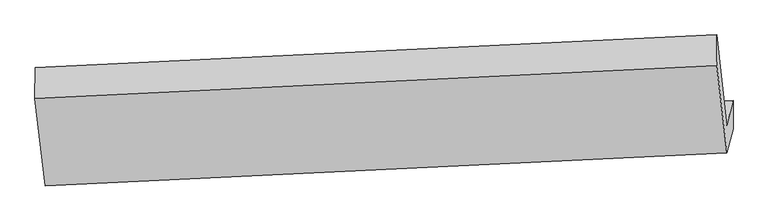
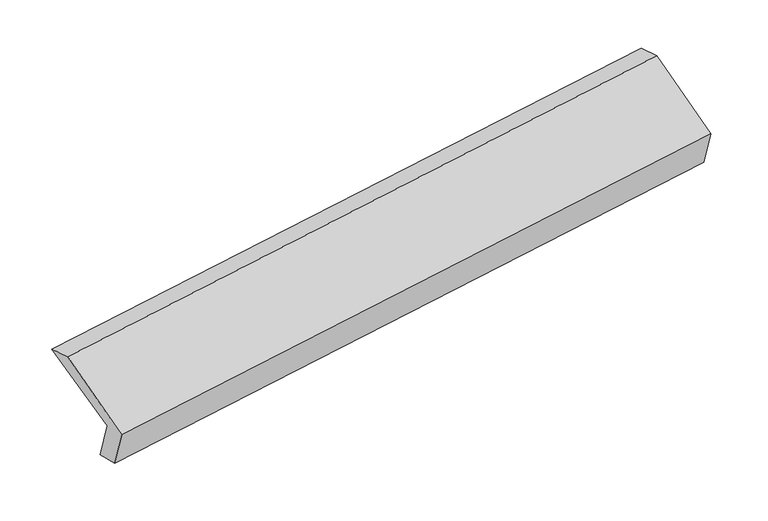
"""IFC4 building model written with IfcOpenShell, lengths in millimetres: proxy geometry."""

import ifcopenshell
import ifcopenshell.guid

model = None  # the IFC model being written
_history = None  # IfcOwnerHistory: only IFC2X3 demands one
_inside = {}  # id of a spatial element -> (the spatial element, [elements in it])
_under = {}  # id of a project, library or spatial element -> (it, [spatial elements below it])
_declared = {}  # id of a project -> (the project, [libraries it declares])
_typed = {}  # id of a type object -> (the type object, [elements of that type])
_made_of = {}  # id of a material, layer set ... -> (it, [elements and type objects made of it])


def new_model(schema):
    """Start an empty IFC model of exactly this schema.

    Asked for "IFC4X3", IfcOpenShell would pick the latest addendum, in which some entities
    have other attributes; the version numbers below select the first issue.
    IFC2X3 requires an IfcOwnerHistory on every rooted entity: one is made here for all.
    """
    global model, _history
    if schema == "IFC4X3":
        model = ifcopenshell.file(schema_version=(4, 3, 0, 0))
    else:
        model = ifcopenshell.file(schema=schema)
    _inside.clear()
    _under.clear()
    _declared.clear()
    _typed.clear()
    _made_of.clear()
    _history = None
    if model.schema == "IFC2X3":
        org = make("IfcOrganization", Name="unknown")
        user = make(
            "IfcPersonAndOrganization",
            ThePerson=make("IfcPerson", FamilyName="unknown"),
            TheOrganization=org,
        )
        app = make(
            "IfcApplication",
            ApplicationDeveloper=org,
            Version="unknown",
            ApplicationFullName="unknown",
            ApplicationIdentifier="unknown",
        )
        _history = make(
            "IfcOwnerHistory",
            OwningUser=user,
            OwningApplication=app,
            ChangeAction="ADDED",
            CreationDate=0,
        )
    return model


def make(cls, **values):
    """One entity of the class cls with the attributes given. An attribute that is None is left unset."""
    return model.create_entity(
        cls, **{name: value for name, value in values.items() if value is not None}
    )


def rooted(cls, **values):
    """An entity with a GlobalId (a new one), such as an element, a storey or a relation."""
    return make(cls, GlobalId=ifcopenshell.guid.new(), OwnerHistory=_history, **values)


def si_unit(unit_type, name, prefix=None):
    """IfcSIUnit, for example si_unit("LENGTHUNIT", "METRE", prefix="MILLI")."""
    return make("IfcSIUnit", UnitType=unit_type, Prefix=prefix, Name=name)


def assignment(units):
    """IfcUnitAssignment: the units of a project."""
    return None if units is None else make("IfcUnitAssignment", Units=units)


def point(xyz):
    """IfcCartesianPoint."""
    return None if xyz is None else make("IfcCartesianPoint", Coordinates=xyz)


def direction(xyz):
    """IfcDirection."""
    return None if xyz is None else make("IfcDirection", DirectionRatios=xyz)


def frame(location, z_axis=None, x_axis=None):
    """IfcAxis2Placement3D, a coordinate frame: its origin and axes. An axis left out is left unset."""
    return make(
        "IfcAxis2Placement3D",
        Location=point(location),
        Axis=direction(z_axis),
        RefDirection=direction(x_axis),
    )


def origin():
    """The frame at (0, 0, 0) with its axes left unset."""
    return frame((0.0, 0.0, 0.0))


def place(relative_to, where):
    """IfcLocalPlacement: puts the frame where relative to a parent placement (None: the world)."""
    return make(
        "IfcLocalPlacement", PlacementRelTo=relative_to, RelativePlacement=where
    )


def context(
    kind, dimensions, precision=None, world=None, true_north=None, identifier=None
):
    """IfcGeometricRepresentationContext, for example the 3D "Model" context."""
    return make(
        "IfcGeometricRepresentationContext",
        ContextIdentifier=identifier,
        ContextType=kind,
        CoordinateSpaceDimension=dimensions,
        Precision=precision,
        WorldCoordinateSystem=world,
        TrueNorth=true_north,
    )


def project(units=None, contexts=None):
    """IfcProject with its units and contexts."""
    return rooted(
        "IfcProject",
        Name="project",
        RepresentationContexts=contexts,
        UnitsInContext=assignment(units),
    )


def spatial(cls, under=None, at=None, **own):
    """A site, building, storey or space (cls), placed at a placement, below another one or the project."""
    s = rooted(cls, ObjectPlacement=at, **own)
    if under is not None:
        _under.setdefault(under.id(), (under, []))[1].append(s)
    return s


def shape(context_of_items, identifier, shape_type, items):
    """IfcShapeRepresentation: the items that make up one representation, for example the "Body"."""
    return make(
        "IfcShapeRepresentation",
        ContextOfItems=context_of_items,
        RepresentationIdentifier=identifier,
        RepresentationType=shape_type,
        Items=items,
    )


def source(mapping_origin, context_of_items, identifier, shape_type, items):
    """IfcRepresentationMap: a shape defined once, which mapped items show again and again."""
    return make(
        "IfcRepresentationMap",
        MappingOrigin=mapping_origin,
        MappedRepresentation=shape(context_of_items, identifier, shape_type, items),
    )


def transform(
    local_origin,
    x_axis=None,
    y_axis=None,
    z_axis=None,
    scale=None,
    scale2=None,
    scale3=None,
    uniform=True,
):
    """IfcCartesianTransformationOperator3D, or its non-uniform kind. x_axis, y_axis, z_axis: its Axis1, 2, 3."""
    if uniform:
        return make(
            "IfcCartesianTransformationOperator3D",
            Axis1=direction(x_axis),
            Axis2=direction(y_axis),
            LocalOrigin=point(local_origin),
            Scale=scale,
            Axis3=direction(z_axis),
        )
    return make(
        "IfcCartesianTransformationOperator3DnonUniform",
        Axis1=direction(x_axis),
        Axis2=direction(y_axis),
        LocalOrigin=point(local_origin),
        Scale=scale,
        Axis3=direction(z_axis),
        Scale2=scale2,
        Scale3=scale3,
    )


def mapped(mapping_source, mapping_target):
    """IfcMappedItem: shows the shape of a source again, moved by a transform."""
    return make(
        "IfcMappedItem", MappingSource=mapping_source, MappingTarget=mapping_target
    )


def made_of(thing, what):
    """Note that an element or type object is made of a material, layer set ...; save() writes the relation."""
    if what is not None:
        _made_of.setdefault(what.id(), (what, []))[1].append(thing)
    return thing


def element(
    cls,
    number,
    at=None,
    inside=None,
    cuts=None,
    type_object=None,
    material=None,
    context=None,
    identifier="Body",
    shape_type=None,
    held_by="IfcProductDefinitionShape",
    body=None,
    shapes=None,
    **own,
):
    """One element of the class cls, such as IfcWall. Its Tag is "e" and its number.

    at: its placement. inside: the storey or other place that contains it. cuts: it is an
    opening in that element (IfcRelVoidsElement). A single representation is given by context,
    identifier, shape_type and body (its items); several are given by shapes. held_by: the class
    of the entity that holds the representations. save() writes the other relations.
    """
    e = rooted(cls, Tag="e%d" % number, ObjectPlacement=at, **own)
    if body is not None:
        shapes = [shape(context, identifier, shape_type, body)]
    if shapes is not None:
        e.Representation = make(held_by, Representations=shapes)
    if inside is not None:
        _inside.setdefault(inside.id(), (inside, []))[1].append(e)
    if cuts is not None:
        rooted(
            "IfcRelVoidsElement", RelatingBuildingElement=cuts, RelatedOpeningElement=e
        )
    if type_object is not None:
        _typed.setdefault(type_object.id(), (type_object, []))[1].append(e)
    return made_of(e, material)


def aggregate(whole, parts):
    """IfcRelAggregates: a whole, such as a stair, and the parts it consists of."""
    return rooted("IfcRelAggregates", RelatingObject=whole, RelatedObjects=parts)


def save(model, path):
    """Write the relations noted so far, then the file.

    IfcRelAggregates (storeys below a building ...), IfcRelContainedInSpatialStructure (elements
    in a storey), IfcRelDefinesByType, IfcRelAssociatesMaterial and IfcRelDeclares: one each for
    every whole, place, type object, material and project.
    """
    for whole, parts in _under.values():
        aggregate(whole, parts)
    for where, things in _inside.values():
        rooted(
            "IfcRelContainedInSpatialStructure",
            RelatedElements=things,
            RelatingStructure=where,
        )
    for kind, things in _typed.values():
        rooted("IfcRelDefinesByType", RelatedObjects=things, RelatingType=kind)
    for what, things in _made_of.values():
        rooted("IfcRelAssociatesMaterial", RelatedObjects=things, RelatingMaterial=what)
    for by, libraries in _declared.values():
        rooted("IfcRelDeclares", RelatingContext=by, RelatedDefinitions=libraries)
    model.write(path)


def plane_surface(at):
    """IfcPlane: the flat surface through the origin of the frame at, square to its z axis."""
    return make("IfcPlane", Position=at)


def spline_surface(u_degree, v_degree, points, u_multiplicities, v_multiplicities, u_knots, v_knots, weights=None):
    """IfcBSplineSurfaceWithKnots; with weights, IfcRationalBSplineSurfaceWithKnots. points: one row for each step in u."""
    own = dict(
        UDegree=u_degree,
        VDegree=v_degree,
        ControlPointsList=[[point(p) for p in row] for row in points],
        SurfaceForm="UNSPECIFIED",
        UClosed=False,
        VClosed=False,
        SelfIntersect=False,
        UMultiplicities=u_multiplicities,
        VMultiplicities=v_multiplicities,
        UKnots=u_knots,
        VKnots=v_knots,
        KnotSpec="UNSPECIFIED",
    )
    if weights is None:
        return make("IfcBSplineSurfaceWithKnots", **own)
    return make("IfcRationalBSplineSurfaceWithKnots", WeightsData=weights, **own)


def advanced_brep(points, edges, surfaces, faces):
    """IfcAdvancedBrep: a solid bounded by faces that lie on surfaces and meet in shared edges.

    An edge is (start, end): straight between two places in points (the first is 0);
    or (start, end, curve); or (start, end, curve, False) where it runs against its curve.
    A face is (place in surfaces, loops), or (place, loops, False) where it looks against
    its surface's normal. A loop lists edges by number (the first is 1), with a minus sign
    where the edge is run from its end to its start. The first loop is the outer one.
    """
    corners = [point(p) for p in points]
    vertices = [make("IfcVertexPoint", VertexGeometry=c) for c in corners]
    made = []
    for start, end, *more in edges:
        made.append(
            make(
                "IfcEdgeCurve",
                EdgeStart=vertices[start],
                EdgeEnd=vertices[end],
                EdgeGeometry=more[0] if more else make("IfcPolyline", Points=[corners[start], corners[end]]),
                SameSense=more[1] if len(more) > 1 else True,
            )
        )
    hull = []
    for where, loops, *sense in faces:
        bounds = []
        for j, loop in enumerate(loops):
            ring = [make("IfcOrientedEdge", EdgeElement=made[abs(k) - 1], Orientation=k > 0) for k in loop]
            bounds.append(
                make(
                    "IfcFaceOuterBound" if j == 0 else "IfcFaceBound",
                    Bound=make("IfcEdgeLoop", EdgeList=ring),
                    Orientation=True,
                )
            )
        hull.append(make("IfcAdvancedFace", Bounds=bounds, FaceSurface=surfaces[where], SameSense=sense[0] if sense else True))
    return make("IfcAdvancedBrep", Outer=make("IfcClosedShell", CfsFaces=hull))


def generic_models_f10ad38b(model_context):
    return source(origin(), model_context, "Body", "AdvancedBrep", [
        advanced_brep(
        [(-5165.9581634, -1617.2991527, 1230.5452105), (-5209.618105, -1786.482976, 1586.0625743), (-498.2536308, -1558.7869706, 2273.0061766), (-453.4915377, -1385.3322711, 1908.5141329), (-5164.3811509, -1810.3622384, 1279.2332078), (-453.0166767, -1582.6662331, 1966.17681), (-5206.8461015, -1974.9154291, 1625.0199114), (-495.4816273, -1747.2194238, 2311.9635136), (-5277.3033, -1372.547634, 1928.315409), (-565.9388259, -1144.8516286, 2615.2590112), (-5276.6532585, -1157.9376292, 1857.5024361), (-565.2887844, -930.2416238, 2544.4460383)],
        [
            (0, 1),
            (1, 2),
            (2, 3),
            (3, 0),
            (4, 0),
            (3, 5),
            (5, 4),
            (6, 4),
            (5, 7),
            (7, 6),
            (8, 6),
            (7, 9),
            (9, 8),
            (10, 8),
            (9, 11),
            (11, 10),
            (1, 10),
            (11, 2),
        ],
        [
            plane_surface(frame((-5187.7881342, -1701.8910643, 1408.3038924), z_axis=(-0.1044208893054521, 0.9029475637200823, 0.4168716529684242), x_axis=(-0.11021515072487023, -0.4270876207020744, 0.897467985386518))),
            spline_surface(1, 1, [[(-5164.3811509, -1810.3622384, 1279.2332078), (-453.0166767, -1582.6662331, 1966.17681)], [(-5165.9581634, -1617.2991527, 1230.5452105), (-453.4915377, -1385.3322711, 1908.5141329)]], [2, 2], [2, 2], [0.0, 1.0], [0.0, 1.0]),
            plane_surface(frame((-5185.6136262, -1892.6388337, 1452.1265596), z_axis=(0.10442088930544884, -0.902947563720083, -0.4168716529684241), x_axis=(0.11021515072487016, 0.42708762070207373, -0.8974679853865183))),
            plane_surface(frame((-5242.0747008, -1673.7315315, 1776.6676602), z_axis=(-0.10665774461079264, -0.4570756423275507, 0.8830096164286071), x_axis=(0.10390613757639001, -0.8883366390443518, -0.4472823831824157))),
            plane_surface(frame((-5276.9782793, -1265.2426316, 1892.9089225), z_axis=(-0.1518258306945857, 0.3101263912507043, 0.9384937605459688), x_axis=(-0.0028763925012652504, -0.9496356875183831, 0.31334292294172944))),
            plane_surface(frame((-5243.1356818, -1472.2103026, 1721.7825052), z_axis=(0.11282802492066027, 0.40404964666448745, -0.9077520144966937), x_axis=(-0.09744525796971994, 0.9136812581731459, 0.39457696354748306))),
            plane_surface(frame((-505.2451805, -1391.5163585, 2269.8942804), z_axis=(0.9888366864291855, 0.043979786500136245, 0.1423649744535183), x_axis=(0.10390613757639001, -0.8883366390443518, -0.4472823831824157))),
            plane_surface(frame((-5216.7933465, -1619.9241765, 1584.4464582), z_axis=(-0.9888366864291848, -0.04397978650014291, -0.14236497445352173), x_axis=(0.11021515072487038, 0.42708762070207434, -0.897467985386518))),
        ],
        [
            (0, [[1, 2, 3, 4]]),
            (1, [[5, -4, 6, 7]]),
            (2, [[8, -7, 9, 10]]),
            (3, [[11, -10, 12, 13]]),
            (4, [[14, -13, 15, 16]]),
            (5, [[17, -16, 18, -2]]),
            (6, [[-12, -9, -6, -3, -18, -15]]),
            (7, [[-1, -5, -8, -11, -14, -17]]),
        ],
    ),
    ])


if __name__ == "__main__":
    model = new_model("IFC4")
    model_context = context("Model", 3, world=origin())
    ifc_project = project(units=[si_unit("LENGTHUNIT", "METRE", prefix="MILLI")], contexts=[model_context])
    site = spatial("IfcSite", under=ifc_project)
    building = spatial("IfcBuilding", under=site)
    placement = place(None, origin())
    generic_models_shape = generic_models_f10ad38b(model_context)
    element("IfcBuildingElementProxy", 1, Name="Generic Models", at=placement, inside=building, context=model_context, shape_type="MappedRepresentation", body=[
        mapped(generic_models_shape, transform((0.0, 0.0, 0.0), x_axis=(1.0, 0.0, 0.0), y_axis=(0.0, 1.0, 0.0), z_axis=(0.0, 0.0, 1.0))),
    ])
    save(model, "model.ifc")
